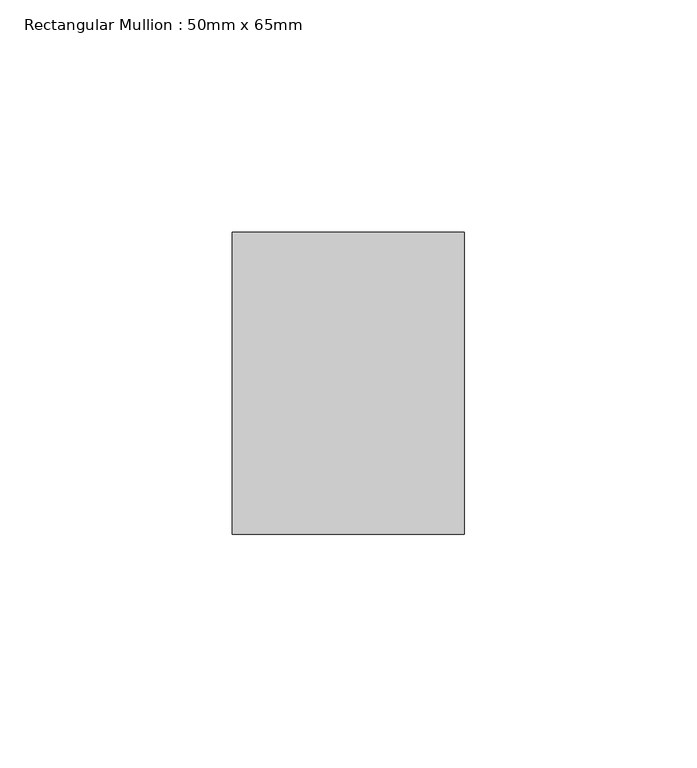
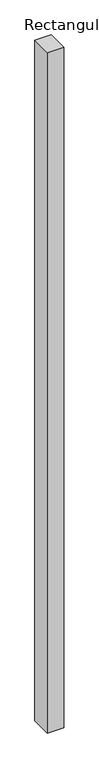
"""IFC4 building model written with IfcOpenShell, lengths in millimetres: member geometry, Rectangular Mullion : 50mm x 65mm."""

import ifcopenshell
import ifcopenshell.guid

model = None  # the IFC model being written
_history = None  # IfcOwnerHistory: only IFC2X3 demands one
_inside = {}  # id of a spatial element -> (the spatial element, [elements in it])
_under = {}  # id of a project, library or spatial element -> (it, [spatial elements below it])
_declared = {}  # id of a project -> (the project, [libraries it declares])
_typed = {}  # id of a type object -> (the type object, [elements of that type])
_made_of = {}  # id of a material, layer set ... -> (it, [elements and type objects made of it])


def new_model(schema):
    """Start an empty IFC model of exactly this schema.

    Asked for "IFC4X3", IfcOpenShell would pick the latest addendum, in which some entities
    have other attributes; the version numbers below select the first issue.
    IFC2X3 requires an IfcOwnerHistory on every rooted entity: one is made here for all.
    """
    global model, _history
    if schema == "IFC4X3":
        model = ifcopenshell.file(schema_version=(4, 3, 0, 0))
    else:
        model = ifcopenshell.file(schema=schema)
    _inside.clear()
    _under.clear()
    _declared.clear()
    _typed.clear()
    _made_of.clear()
    _history = None
    if model.schema == "IFC2X3":
        org = make("IfcOrganization", Name="unknown")
        user = make(
            "IfcPersonAndOrganization",
            ThePerson=make("IfcPerson", FamilyName="unknown"),
            TheOrganization=org,
        )
        app = make(
            "IfcApplication",
            ApplicationDeveloper=org,
            Version="unknown",
            ApplicationFullName="unknown",
            ApplicationIdentifier="unknown",
        )
        _history = make(
            "IfcOwnerHistory",
            OwningUser=user,
            OwningApplication=app,
            ChangeAction="ADDED",
            CreationDate=0,
        )
    return model


def make(cls, **values):
    """One entity of the class cls with the attributes given. An attribute that is None is left unset."""
    return model.create_entity(
        cls, **{name: value for name, value in values.items() if value is not None}
    )


def rooted(cls, **values):
    """An entity with a GlobalId (a new one), such as an element, a storey or a relation."""
    return make(cls, GlobalId=ifcopenshell.guid.new(), OwnerHistory=_history, **values)


def si_unit(unit_type, name, prefix=None):
    """IfcSIUnit, for example si_unit("LENGTHUNIT", "METRE", prefix="MILLI")."""
    return make("IfcSIUnit", UnitType=unit_type, Prefix=prefix, Name=name)


def assignment(units):
    """IfcUnitAssignment: the units of a project."""
    return None if units is None else make("IfcUnitAssignment", Units=units)


def point(xyz):
    """IfcCartesianPoint."""
    return None if xyz is None else make("IfcCartesianPoint", Coordinates=xyz)


def direction(xyz):
    """IfcDirection."""
    return None if xyz is None else make("IfcDirection", DirectionRatios=xyz)


def frame(location, z_axis=None, x_axis=None):
    """IfcAxis2Placement3D, a coordinate frame: its origin and axes. An axis left out is left unset."""
    return make(
        "IfcAxis2Placement3D",
        Location=point(location),
        Axis=direction(z_axis),
        RefDirection=direction(x_axis),
    )


def origin():
    """The frame at (0, 0, 0) with its axes left unset."""
    return frame((0.0, 0.0, 0.0))


def place(relative_to, where):
    """IfcLocalPlacement: puts the frame where relative to a parent placement (None: the world)."""
    return make(
        "IfcLocalPlacement", PlacementRelTo=relative_to, RelativePlacement=where
    )


def context(
    kind, dimensions, precision=None, world=None, true_north=None, identifier=None
):
    """IfcGeometricRepresentationContext, for example the 3D "Model" context."""
    return make(
        "IfcGeometricRepresentationContext",
        ContextIdentifier=identifier,
        ContextType=kind,
        CoordinateSpaceDimension=dimensions,
        Precision=precision,
        WorldCoordinateSystem=world,
        TrueNorth=true_north,
    )


def project(units=None, contexts=None):
    """IfcProject with its units and contexts."""
    return rooted(
        "IfcProject",
        Name="project",
        RepresentationContexts=contexts,
        UnitsInContext=assignment(units),
    )


def spatial(cls, under=None, at=None, **own):
    """A site, building, storey or space (cls), placed at a placement, below another one or the project."""
    s = rooted(cls, ObjectPlacement=at, **own)
    if under is not None:
        _under.setdefault(under.id(), (under, []))[1].append(s)
    return s


def polyline(points):
    """IfcPolyline through the points."""
    return make("IfcPolyline", Points=[point(p) for p in points])


def outline(outer, holes=None, kind="AREA"):
    """IfcArbitraryClosedProfileDef: a profile drawn as a closed curve; with holes, ...WithVoids."""
    if holes is None:
        return make("IfcArbitraryClosedProfileDef", ProfileType=kind, OuterCurve=outer)
    return make(
        "IfcArbitraryProfileDefWithVoids",
        ProfileType=kind,
        OuterCurve=outer,
        InnerCurves=holes,
    )


def extrude(swept, where, along, depth):
    """IfcExtrudedAreaSolid: the profile swept, set in the frame where, extruded along a direction by depth."""
    return make(
        "IfcExtrudedAreaSolid",
        SweptArea=swept,
        Position=where,
        ExtrudedDirection=direction(along),
        Depth=depth,
    )


def shape(context_of_items, identifier, shape_type, items):
    """IfcShapeRepresentation: the items that make up one representation, for example the "Body"."""
    return make(
        "IfcShapeRepresentation",
        ContextOfItems=context_of_items,
        RepresentationIdentifier=identifier,
        RepresentationType=shape_type,
        Items=items,
    )


def source(mapping_origin, context_of_items, identifier, shape_type, items):
    """IfcRepresentationMap: a shape defined once, which mapped items show again and again."""
    return make(
        "IfcRepresentationMap",
        MappingOrigin=mapping_origin,
        MappedRepresentation=shape(context_of_items, identifier, shape_type, items),
    )


def transform(
    local_origin,
    x_axis=None,
    y_axis=None,
    z_axis=None,
    scale=None,
    scale2=None,
    scale3=None,
    uniform=True,
):
    """IfcCartesianTransformationOperator3D, or its non-uniform kind. x_axis, y_axis, z_axis: its Axis1, 2, 3."""
    if uniform:
        return make(
            "IfcCartesianTransformationOperator3D",
            Axis1=direction(x_axis),
            Axis2=direction(y_axis),
            LocalOrigin=point(local_origin),
            Scale=scale,
            Axis3=direction(z_axis),
        )
    return make(
        "IfcCartesianTransformationOperator3DnonUniform",
        Axis1=direction(x_axis),
        Axis2=direction(y_axis),
        LocalOrigin=point(local_origin),
        Scale=scale,
        Axis3=direction(z_axis),
        Scale2=scale2,
        Scale3=scale3,
    )


def mapped(mapping_source, mapping_target):
    """IfcMappedItem: shows the shape of a source again, moved by a transform."""
    return make(
        "IfcMappedItem", MappingSource=mapping_source, MappingTarget=mapping_target
    )


def made_of(thing, what):
    """Note that an element or type object is made of a material, layer set ...; save() writes the relation."""
    if what is not None:
        _made_of.setdefault(what.id(), (what, []))[1].append(thing)
    return thing


def element(
    cls,
    number,
    at=None,
    inside=None,
    cuts=None,
    type_object=None,
    material=None,
    context=None,
    identifier="Body",
    shape_type=None,
    held_by="IfcProductDefinitionShape",
    body=None,
    shapes=None,
    **own,
):
    """One element of the class cls, such as IfcWall. Its Tag is "e" and its number.

    at: its placement. inside: the storey or other place that contains it. cuts: it is an
    opening in that element (IfcRelVoidsElement). A single representation is given by context,
    identifier, shape_type and body (its items); several are given by shapes. held_by: the class
    of the entity that holds the representations. save() writes the other relations.
    """
    e = rooted(cls, Tag="e%d" % number, ObjectPlacement=at, **own)
    if body is not None:
        shapes = [shape(context, identifier, shape_type, body)]
    if shapes is not None:
        e.Representation = make(held_by, Representations=shapes)
    if inside is not None:
        _inside.setdefault(inside.id(), (inside, []))[1].append(e)
    if cuts is not None:
        rooted(
            "IfcRelVoidsElement", RelatingBuildingElement=cuts, RelatedOpeningElement=e
        )
    if type_object is not None:
        _typed.setdefault(type_object.id(), (type_object, []))[1].append(e)
    return made_of(e, material)


def aggregate(whole, parts):
    """IfcRelAggregates: a whole, such as a stair, and the parts it consists of."""
    return rooted("IfcRelAggregates", RelatingObject=whole, RelatedObjects=parts)


def save(model, path):
    """Write the relations noted so far, then the file.

    IfcRelAggregates (storeys below a building ...), IfcRelContainedInSpatialStructure (elements
    in a storey), IfcRelDefinesByType, IfcRelAssociatesMaterial and IfcRelDeclares: one each for
    every whole, place, type object, material and project.
    """
    for whole, parts in _under.values():
        aggregate(whole, parts)
    for where, things in _inside.values():
        rooted(
            "IfcRelContainedInSpatialStructure",
            RelatedElements=things,
            RelatingStructure=where,
        )
    for kind, things in _typed.values():
        rooted("IfcRelDefinesByType", RelatedObjects=things, RelatingType=kind)
    for what, things in _made_of.values():
        rooted("IfcRelAssociatesMaterial", RelatedObjects=things, RelatingMaterial=what)
    for by, libraries in _declared.values():
        rooted("IfcRelDeclares", RelatingContext=by, RelatedDefinitions=libraries)
    model.write(path)


def rectangular_mullion_50mm_x_65mm_a435187d(model_context):
    return source(origin(), model_context, "Body", "SweptSolid", [
        extrude(outline(polyline([(25.0, 32.5), (25.0, -32.5), (-25.0, -32.5), (-25.0, 32.5), (25.0, 32.5)])), frame((0.0, 0.0, -2186.9739389), z_axis=(0.0, 0.0, 1.0), x_axis=(1.0, 0.0, 0.0)), (0.0, 0.0, 1.0), 2186.9739389),
    ])


if __name__ == "__main__":
    model = new_model("IFC4")
    model_context = context("Model", 3, world=origin())
    ifc_project = project(units=[si_unit("LENGTHUNIT", "METRE", prefix="MILLI")], contexts=[model_context])
    site = spatial("IfcSite", under=ifc_project)
    building = spatial("IfcBuilding", under=site)
    placement = place(None, origin())
    rectangular_mullion_50mm_x_65mm_shape = rectangular_mullion_50mm_x_65mm_a435187d(model_context)
    element("IfcMember", 1, ObjectType="Rectangular Mullion : 50mm x 65mm", at=placement, inside=building, context=model_context, shape_type="MappedRepresentation", body=[
        mapped(rectangular_mullion_50mm_x_65mm_shape, transform((0.0, 0.0, 0.0), x_axis=(1.0, 0.0, 0.0), y_axis=(0.0, 1.0, 0.0), z_axis=(0.0, 0.0, 1.0))),
    ])
    save(model, "model.ifc")
